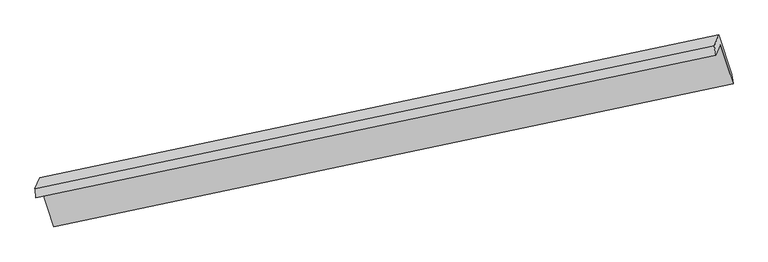
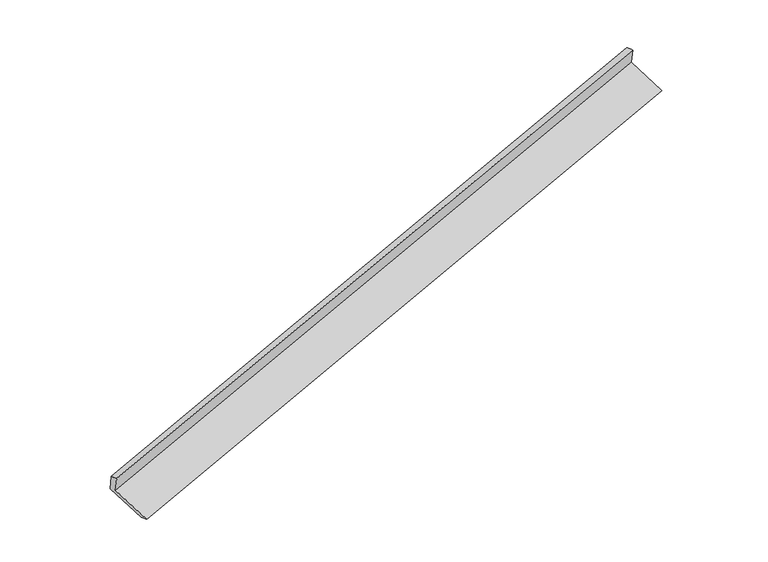
"""IFC4 building model written with IfcOpenShell, lengths in millimetres: proxy geometry."""

import ifcopenshell
import ifcopenshell.guid

model = None  # the IFC model being written
_history = None  # IfcOwnerHistory: only IFC2X3 demands one
_inside = {}  # id of a spatial element -> (the spatial element, [elements in it])
_under = {}  # id of a project, library or spatial element -> (it, [spatial elements below it])
_declared = {}  # id of a project -> (the project, [libraries it declares])
_typed = {}  # id of a type object -> (the type object, [elements of that type])
_made_of = {}  # id of a material, layer set ... -> (it, [elements and type objects made of it])


def new_model(schema):
    """Start an empty IFC model of exactly this schema.

    Asked for "IFC4X3", IfcOpenShell would pick the latest addendum, in which some entities
    have other attributes; the version numbers below select the first issue.
    IFC2X3 requires an IfcOwnerHistory on every rooted entity: one is made here for all.
    """
    global model, _history
    if schema == "IFC4X3":
        model = ifcopenshell.file(schema_version=(4, 3, 0, 0))
    else:
        model = ifcopenshell.file(schema=schema)
    _inside.clear()
    _under.clear()
    _declared.clear()
    _typed.clear()
    _made_of.clear()
    _history = None
    if model.schema == "IFC2X3":
        org = make("IfcOrganization", Name="unknown")
        user = make(
            "IfcPersonAndOrganization",
            ThePerson=make("IfcPerson", FamilyName="unknown"),
            TheOrganization=org,
        )
        app = make(
            "IfcApplication",
            ApplicationDeveloper=org,
            Version="unknown",
            ApplicationFullName="unknown",
            ApplicationIdentifier="unknown",
        )
        _history = make(
            "IfcOwnerHistory",
            OwningUser=user,
            OwningApplication=app,
            ChangeAction="ADDED",
            CreationDate=0,
        )
    return model


def make(cls, **values):
    """One entity of the class cls with the attributes given. An attribute that is None is left unset."""
    return model.create_entity(
        cls, **{name: value for name, value in values.items() if value is not None}
    )


def rooted(cls, **values):
    """An entity with a GlobalId (a new one), such as an element, a storey or a relation."""
    return make(cls, GlobalId=ifcopenshell.guid.new(), OwnerHistory=_history, **values)


def si_unit(unit_type, name, prefix=None):
    """IfcSIUnit, for example si_unit("LENGTHUNIT", "METRE", prefix="MILLI")."""
    return make("IfcSIUnit", UnitType=unit_type, Prefix=prefix, Name=name)


def assignment(units):
    """IfcUnitAssignment: the units of a project."""
    return None if units is None else make("IfcUnitAssignment", Units=units)


def point(xyz):
    """IfcCartesianPoint."""
    return None if xyz is None else make("IfcCartesianPoint", Coordinates=xyz)


def direction(xyz):
    """IfcDirection."""
    return None if xyz is None else make("IfcDirection", DirectionRatios=xyz)


def frame(location, z_axis=None, x_axis=None):
    """IfcAxis2Placement3D, a coordinate frame: its origin and axes. An axis left out is left unset."""
    return make(
        "IfcAxis2Placement3D",
        Location=point(location),
        Axis=direction(z_axis),
        RefDirection=direction(x_axis),
    )


def origin():
    """The frame at (0, 0, 0) with its axes left unset."""
    return frame((0.0, 0.0, 0.0))


def place(relative_to, where):
    """IfcLocalPlacement: puts the frame where relative to a parent placement (None: the world)."""
    return make(
        "IfcLocalPlacement", PlacementRelTo=relative_to, RelativePlacement=where
    )


def context(
    kind, dimensions, precision=None, world=None, true_north=None, identifier=None
):
    """IfcGeometricRepresentationContext, for example the 3D "Model" context."""
    return make(
        "IfcGeometricRepresentationContext",
        ContextIdentifier=identifier,
        ContextType=kind,
        CoordinateSpaceDimension=dimensions,
        Precision=precision,
        WorldCoordinateSystem=world,
        TrueNorth=true_north,
    )


def project(units=None, contexts=None):
    """IfcProject with its units and contexts."""
    return rooted(
        "IfcProject",
        Name="project",
        RepresentationContexts=contexts,
        UnitsInContext=assignment(units),
    )


def spatial(cls, under=None, at=None, **own):
    """A site, building, storey or space (cls), placed at a placement, below another one or the project."""
    s = rooted(cls, ObjectPlacement=at, **own)
    if under is not None:
        _under.setdefault(under.id(), (under, []))[1].append(s)
    return s


def shape(context_of_items, identifier, shape_type, items):
    """IfcShapeRepresentation: the items that make up one representation, for example the "Body"."""
    return make(
        "IfcShapeRepresentation",
        ContextOfItems=context_of_items,
        RepresentationIdentifier=identifier,
        RepresentationType=shape_type,
        Items=items,
    )


def source(mapping_origin, context_of_items, identifier, shape_type, items):
    """IfcRepresentationMap: a shape defined once, which mapped items show again and again."""
    return make(
        "IfcRepresentationMap",
        MappingOrigin=mapping_origin,
        MappedRepresentation=shape(context_of_items, identifier, shape_type, items),
    )


def transform(
    local_origin,
    x_axis=None,
    y_axis=None,
    z_axis=None,
    scale=None,
    scale2=None,
    scale3=None,
    uniform=True,
):
    """IfcCartesianTransformationOperator3D, or its non-uniform kind. x_axis, y_axis, z_axis: its Axis1, 2, 3."""
    if uniform:
        return make(
            "IfcCartesianTransformationOperator3D",
            Axis1=direction(x_axis),
            Axis2=direction(y_axis),
            LocalOrigin=point(local_origin),
            Scale=scale,
            Axis3=direction(z_axis),
        )
    return make(
        "IfcCartesianTransformationOperator3DnonUniform",
        Axis1=direction(x_axis),
        Axis2=direction(y_axis),
        LocalOrigin=point(local_origin),
        Scale=scale,
        Axis3=direction(z_axis),
        Scale2=scale2,
        Scale3=scale3,
    )


def mapped(mapping_source, mapping_target):
    """IfcMappedItem: shows the shape of a source again, moved by a transform."""
    return make(
        "IfcMappedItem", MappingSource=mapping_source, MappingTarget=mapping_target
    )


def made_of(thing, what):
    """Note that an element or type object is made of a material, layer set ...; save() writes the relation."""
    if what is not None:
        _made_of.setdefault(what.id(), (what, []))[1].append(thing)
    return thing


def element(
    cls,
    number,
    at=None,
    inside=None,
    cuts=None,
    type_object=None,
    material=None,
    context=None,
    identifier="Body",
    shape_type=None,
    held_by="IfcProductDefinitionShape",
    body=None,
    shapes=None,
    **own,
):
    """One element of the class cls, such as IfcWall. Its Tag is "e" and its number.

    at: its placement. inside: the storey or other place that contains it. cuts: it is an
    opening in that element (IfcRelVoidsElement). A single representation is given by context,
    identifier, shape_type and body (its items); several are given by shapes. held_by: the class
    of the entity that holds the representations. save() writes the other relations.
    """
    e = rooted(cls, Tag="e%d" % number, ObjectPlacement=at, **own)
    if body is not None:
        shapes = [shape(context, identifier, shape_type, body)]
    if shapes is not None:
        e.Representation = make(held_by, Representations=shapes)
    if inside is not None:
        _inside.setdefault(inside.id(), (inside, []))[1].append(e)
    if cuts is not None:
        rooted(
            "IfcRelVoidsElement", RelatingBuildingElement=cuts, RelatedOpeningElement=e
        )
    if type_object is not None:
        _typed.setdefault(type_object.id(), (type_object, []))[1].append(e)
    return made_of(e, material)


def aggregate(whole, parts):
    """IfcRelAggregates: a whole, such as a stair, and the parts it consists of."""
    return rooted("IfcRelAggregates", RelatingObject=whole, RelatedObjects=parts)


def save(model, path):
    """Write the relations noted so far, then the file.

    IfcRelAggregates (storeys below a building ...), IfcRelContainedInSpatialStructure (elements
    in a storey), IfcRelDefinesByType, IfcRelAssociatesMaterial and IfcRelDeclares: one each for
    every whole, place, type object, material and project.
    """
    for whole, parts in _under.values():
        aggregate(whole, parts)
    for where, things in _inside.values():
        rooted(
            "IfcRelContainedInSpatialStructure",
            RelatedElements=things,
            RelatingStructure=where,
        )
    for kind, things in _typed.values():
        rooted("IfcRelDefinesByType", RelatedObjects=things, RelatingType=kind)
    for what, things in _made_of.values():
        rooted("IfcRelAssociatesMaterial", RelatedObjects=things, RelatingMaterial=what)
    for by, libraries in _declared.values():
        rooted("IfcRelDeclares", RelatingContext=by, RelatedDefinitions=libraries)
    model.write(path)


def plane_surface(at):
    """IfcPlane: the flat surface through the origin of the frame at, square to its z axis."""
    return make("IfcPlane", Position=at)


def spline_surface(u_degree, v_degree, points, u_multiplicities, v_multiplicities, u_knots, v_knots, weights=None):
    """IfcBSplineSurfaceWithKnots; with weights, IfcRationalBSplineSurfaceWithKnots. points: one row for each step in u."""
    own = dict(
        UDegree=u_degree,
        VDegree=v_degree,
        ControlPointsList=[[point(p) for p in row] for row in points],
        SurfaceForm="UNSPECIFIED",
        UClosed=False,
        VClosed=False,
        SelfIntersect=False,
        UMultiplicities=u_multiplicities,
        VMultiplicities=v_multiplicities,
        UKnots=u_knots,
        VKnots=v_knots,
        KnotSpec="UNSPECIFIED",
    )
    if weights is None:
        return make("IfcBSplineSurfaceWithKnots", **own)
    return make("IfcRationalBSplineSurfaceWithKnots", WeightsData=weights, **own)


def advanced_brep(points, edges, surfaces, faces):
    """IfcAdvancedBrep: a solid bounded by faces that lie on surfaces and meet in shared edges.

    An edge is (start, end): straight between two places in points (the first is 0);
    or (start, end, curve); or (start, end, curve, False) where it runs against its curve.
    A face is (place in surfaces, loops), or (place, loops, False) where it looks against
    its surface's normal. A loop lists edges by number (the first is 1), with a minus sign
    where the edge is run from its end to its start. The first loop is the outer one.
    """
    corners = [point(p) for p in points]
    vertices = [make("IfcVertexPoint", VertexGeometry=c) for c in corners]
    made = []
    for start, end, *more in edges:
        made.append(
            make(
                "IfcEdgeCurve",
                EdgeStart=vertices[start],
                EdgeEnd=vertices[end],
                EdgeGeometry=more[0] if more else make("IfcPolyline", Points=[corners[start], corners[end]]),
                SameSense=more[1] if len(more) > 1 else True,
            )
        )
    hull = []
    for where, loops, *sense in faces:
        bounds = []
        for j, loop in enumerate(loops):
            ring = [make("IfcOrientedEdge", EdgeElement=made[abs(k) - 1], Orientation=k > 0) for k in loop]
            bounds.append(
                make(
                    "IfcFaceOuterBound" if j == 0 else "IfcFaceBound",
                    Bound=make("IfcEdgeLoop", EdgeList=ring),
                    Orientation=True,
                )
            )
        hull.append(make("IfcAdvancedFace", Bounds=bounds, FaceSurface=surfaces[where], SameSense=sense[0] if sense else True))
    return make("IfcAdvancedBrep", Outer=make("IfcClosedShell", CfsFaces=hull))


def generic_models_7a8cb7c9(model_context):
    return source(origin(), model_context, "Body", "AdvancedBrep", [
        advanced_brep(
        [(-8697.4734979, -2678.8535072, 604.8463709), (-8620.9435817, -2500.0610432, 219.5225551), (2823.0801039, -108.0412653, 3602.3533847), (2746.5501877, -286.8337293, 3987.6772005), (-8715.3952867, -2527.7833928, 557.3977675), (2724.2294843, -122.4415818, 3945.5364199), (-8637.9678676, -2346.8941442, 167.5550751), (2801.6569034, 58.4476668, 3555.6937275), (-8418.0359441, -3012.953975, -97.8194032), (3021.5888269, -607.612164, 3290.3192492), (-8399.5726307, -3170.4789426, -47.588284), (3040.0521403, -765.1371316, 3340.5503684)],
        [
            (0, 1),
            (1, 2),
            (2, 3),
            (3, 0),
            (4, 0),
            (3, 5),
            (5, 4),
            (6, 4),
            (5, 7),
            (7, 6),
            (8, 6),
            (7, 9),
            (9, 8),
            (10, 8),
            (9, 11),
            (11, 10),
            (1, 10),
            (11, 2),
        ],
        [
            plane_surface(frame((-8659.2085398, -2589.4572752, 412.184463), z_axis=(0.2905878032178177, -0.8886981259258696, -0.35464682375130663), x_axis=(0.17730750659744796, 0.41423338155354805, -0.8927333049186127))),
            spline_surface(1, 1, [[(-8715.3952867, -2527.7833928, 557.3977675), (2724.2294843, -122.4415818, 3945.5364199)], [(-8697.4734979, -2678.8535072, 604.8463709), (2746.5501877, -286.8337293, 3987.6772005)]], [2, 2], [2, 2], [0.0, 1.0], [0.0, 1.0]),
            plane_surface(frame((-8676.6815771, -2437.3387685, 362.4764213), z_axis=(-0.29174642270389317, 0.8884552312383208, 0.35430400354038255), x_axis=(-0.1773075065973243, -0.41423338155358363, 0.8927333049186207))),
            plane_surface(frame((-8528.0019058, -2679.9240596, 34.8678359), z_axis=(0.1773075065972993, 0.41423338155356837, -0.8927333049186329), x_axis=(-0.2932609786675044, 0.8881355408696471, 0.3538548564526945))),
            plane_surface(frame((-8408.8042874, -3091.7164588, -72.7038436), z_axis=(0.32325531448282185, -0.2528938352011469, -0.9118940233250066), x_axis=(-0.11097902822155524, 0.9468488933721543, -0.30192851540542875))),
            plane_surface(frame((-8510.2581062, -2835.2699929, 85.9671355), z_axis=(-0.17730750659731548, -0.41423338155351885, 0.8927333049186528), x_axis=(0.29326097866750195, -0.8881355408696687, -0.35385485645264253))),
            plane_surface(frame((2859.5262744, -305.2697009, 3620.3550584), z_axis=(0.9394466703838044, 0.19906272039452894, 0.2789515851432169), x_axis=(-0.2932609786675044, 0.8881355408696471, 0.3538548564526945))),
            plane_surface(frame((-8581.5648014, -2706.1708342, 233.9856802), z_axis=(-0.9394466703837865, -0.19906272039447656, -0.2789515851433145), x_axis=(-0.17730750659745992, -0.4142333815535141, 0.8927333049186261))),
        ],
        [
            (0, [[1, 2, 3, 4]]),
            (1, [[5, -4, 6, 7]]),
            (2, [[8, -7, 9, 10]]),
            (3, [[11, -10, 12, 13]]),
            (4, [[14, -13, 15, 16]]),
            (5, [[17, -16, 18, -2]]),
            (6, [[-12, -9, -6, -3, -18, -15]]),
            (7, [[-1, -5, -8, -11, -14, -17]]),
        ],
    ),
    ])


if __name__ == "__main__":
    model = new_model("IFC4")
    model_context = context("Model", 3, world=origin())
    ifc_project = project(units=[si_unit("LENGTHUNIT", "METRE", prefix="MILLI")], contexts=[model_context])
    site = spatial("IfcSite", under=ifc_project)
    building = spatial("IfcBuilding", under=site)
    placement = place(None, origin())
    generic_models_shape = generic_models_7a8cb7c9(model_context)
    element("IfcBuildingElementProxy", 1, Name="Generic Models", at=placement, inside=building, context=model_context, shape_type="MappedRepresentation", body=[
        mapped(generic_models_shape, transform((0.0, 0.0, 0.0), x_axis=(1.0, 0.0, 0.0), y_axis=(0.0, 1.0, 0.0), z_axis=(0.0, 0.0, 1.0))),
    ])
    save(model, "model.ifc")
